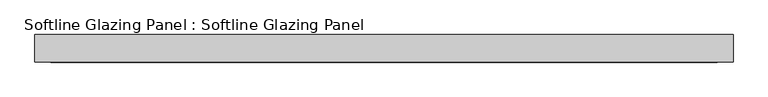
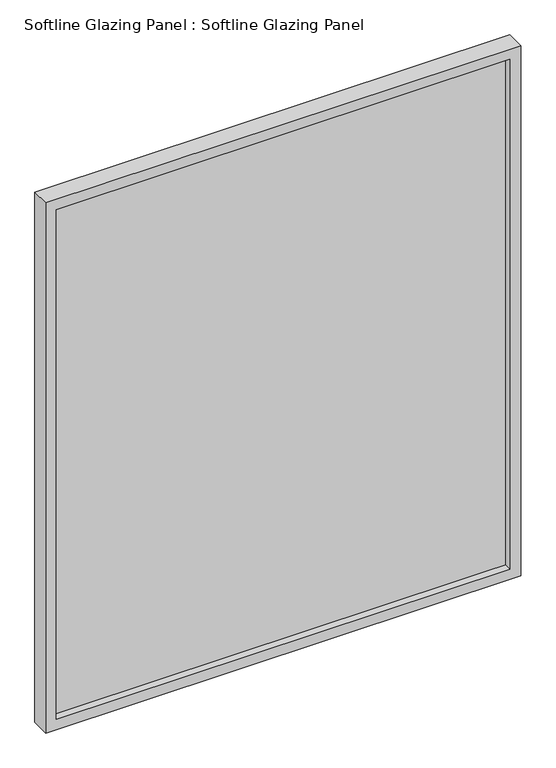
"""IFC4 building model written with IfcOpenShell, lengths in millimetres: plate geometry, Softline Glazing Panel : Softline Glazing Panel."""

from ifc_helpers import new_model, si_unit, frame, origin, place, context, project, spatial, polyline, outline, extrude, faceted_brep, source, transform, mapped, element, save


def softline_glazing_panel_softline_glazing_panel_f9862f67(model_context):
    return source(origin(), model_context, "Body", "SolidModel", [
        extrude(outline(polyline([(556.0, 4.0), (556.0, -4.0), (-556.0, -4.0), (-556.0, 4.0), (556.0, 4.0)])), frame((0.0, 0.0, 16.0), z_axis=(0.0, 0.0, 1.0), x_axis=(1.0, 0.0, 0.0)), (0.0, 0.0, 1.0), 1318.0),
        faceted_brep([(546.0, 4.0, 26.0), (546.0, 22.5, 26.0), (-546.0, 22.5, 26.0), (-546.0, 4.0, 26.0), (556.0, -4.0, 16.0), (556.0, 4.0, 16.0), (-556.0, 4.0, 16.0), (-556.0, -4.0, 16.0), (546.0, -22.5, 26.0), (546.0, -4.0, 26.0), (-546.0, -4.0, 26.0), (-546.0, -22.5, 26.0), (572.0, 22.5, 0.0), (572.0, -22.5, 0.0), (-572.0, -22.5, 0.0), (-572.0, 22.5, 0.0), (-546.0, 22.5, 1324.0), (-546.0, 4.0, 1324.0), (-556.0, 4.0, 1334.0), (-556.0, -4.0, 1334.0), (-546.0, -4.0, 1324.0), (-546.0, -22.5, 1324.0), (-572.0, -22.5, 1350.0), (-572.0, 22.5, 1350.0), (546.0, 22.5, 1324.0), (546.0, 4.0, 1324.0), (556.0, 4.0, 1334.0), (556.0, -4.0, 1334.0), (546.0, -4.0, 1324.0), (546.0, -22.5, 1324.0), (572.0, -22.5, 1350.0), (572.0, 22.5, 1350.0)], [[[0, 1, 2, 3]], [[4, 5, 6, 7]], [[8, 9, 10, 11]], [[12, 13, 14, 15]], [[3, 2, 16, 17]], [[7, 6, 18, 19]], [[11, 10, 20, 21]], [[15, 14, 22, 23]], [[17, 16, 24, 25]], [[19, 18, 26, 27]], [[21, 20, 28, 29]], [[23, 22, 30, 31]], [[15, 23, 31, 12], [1, 24, 16, 2]], [[25, 24, 1, 0]], [[5, 26, 18, 6], [3, 17, 25, 0]], [[27, 26, 5, 4]], [[7, 19, 27, 4], [9, 28, 20, 10]], [[29, 28, 9, 8]], [[13, 30, 22, 14], [11, 21, 29, 8]], [[31, 30, 13, 12]]]),
    ])


if __name__ == "__main__":
    model = new_model("IFC4")
    model_context = context("Model", 3, world=origin())
    ifc_project = project(units=[si_unit("LENGTHUNIT", "METRE", prefix="MILLI")], contexts=[model_context])
    site = spatial("IfcSite", under=ifc_project)
    building = spatial("IfcBuilding", under=site)
    placement = place(None, origin())
    softline_glazing_panel_softline_glazing_panel_shape = softline_glazing_panel_softline_glazing_panel_f9862f67(model_context)
    element("IfcPlate", 1, ObjectType="Softline Glazing Panel : Softline Glazing Panel", at=placement, inside=building, context=model_context, shape_type="MappedRepresentation", body=[
        mapped(softline_glazing_panel_softline_glazing_panel_shape, transform((0.0, 0.0, 0.0), x_axis=(1.0, 0.0, 0.0), y_axis=(0.0, 1.0, 0.0), z_axis=(0.0, 0.0, 1.0))),
    ])
    save(model, "model.ifc")
